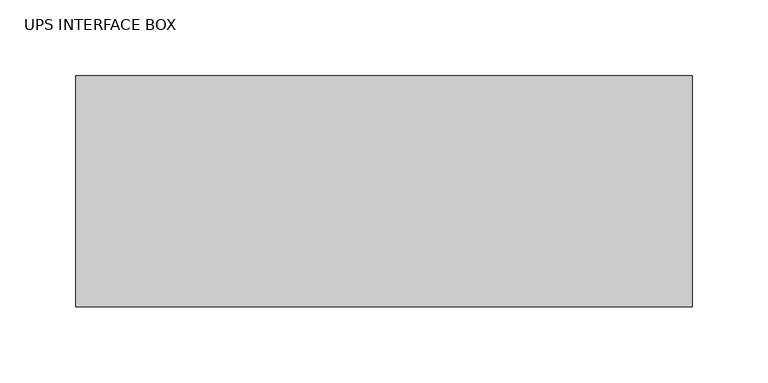
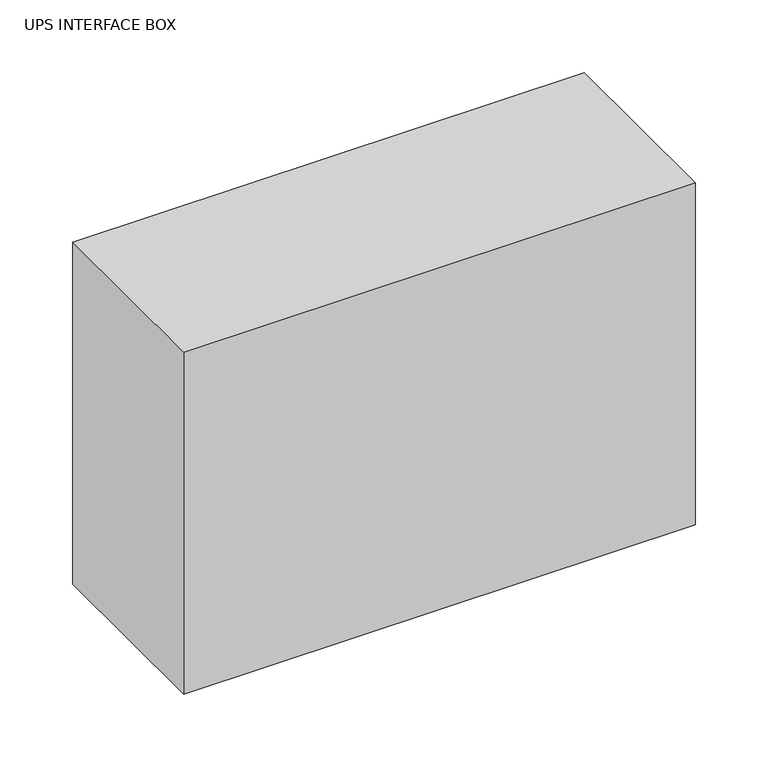
"""IFC4 building model written with IfcOpenShell, lengths in millimetres: proxy geometry, UPS INTERFACE BOX."""

from ifc_helpers import new_model, si_unit, frame, origin, place, context, project, spatial, polyline, outline, extrude, source, transform, mapped, element, save


def ups_interface_box_3d7ded7b(model_context):
    return source(origin(), model_context, "Body", "SweptSolid", [
        extrude(outline(polyline([(27.4773622, 91.3029439), (27.4773622, -61.0970561), (-378.9226378, -61.0970561), (-378.9226378, 91.3029439), (27.4773622, 91.3029439)])), frame((0.0, 0.0, 1278.89), z_axis=(0.0, 0.0, 1.0), x_axis=(1.0, 0.0, 0.0)), (0.0, 0.0, 1.0), 287.02),
    ])


if __name__ == "__main__":
    model = new_model("IFC4")
    model_context = context("Model", 3, world=origin())
    ifc_project = project(units=[si_unit("LENGTHUNIT", "METRE", prefix="MILLI")], contexts=[model_context])
    site = spatial("IfcSite", under=ifc_project)
    building = spatial("IfcBuilding", under=site)
    placement = place(None, origin())
    ups_interface_box_shape = ups_interface_box_3d7ded7b(model_context)
    element("IfcBuildingElementProxy", 1, Name="UPS INTERFACE BOX", ObjectType="UPS INTERFACE BOX", at=placement, inside=building, context=model_context, shape_type="MappedRepresentation", body=[
        mapped(ups_interface_box_shape, transform((0.0, 0.0, 0.0), x_axis=(1.0, 0.0, 0.0), y_axis=(0.0, 1.0, 0.0), z_axis=(0.0, 0.0, 1.0))),
    ])
    save(model, "model.ifc")
